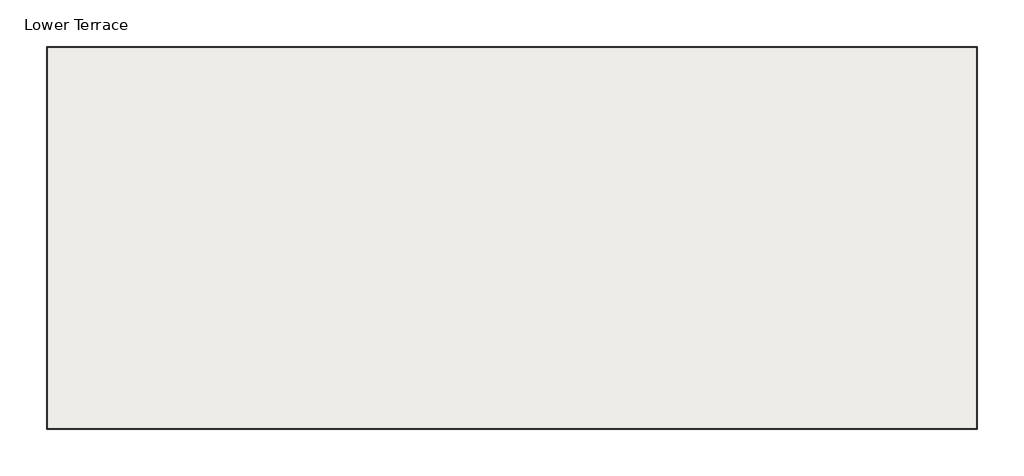
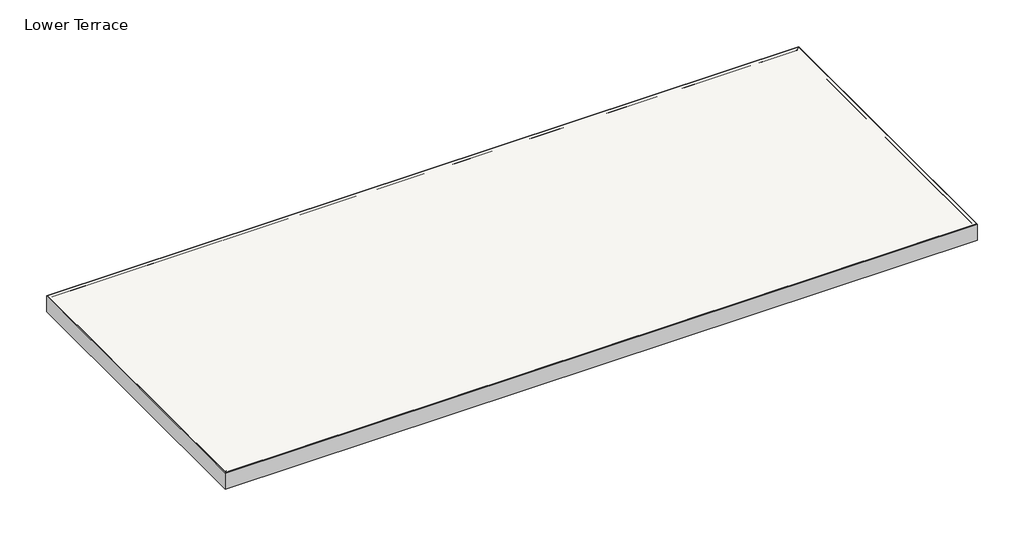
# One storey: 4 beams, 1 slab.
"""IFC4 building model written with IfcOpenShell, lengths in millimetres."""

from ifc_helpers import new_model, si_unit, frame, origin, place, context, project, spatial, polyline, ellipse_curve, outline, extrude, element, save
from ifc_brep_helpers import plane_surface, cylinder_surface, advanced_brep

model = new_model("IFC4")

# Units and contexts
model_context = context("Model", 3, world=origin())
ifc_project = project(units=[si_unit("LENGTHUNIT", "METRE", prefix="MILLI")], contexts=[model_context])

# Site, building, storey
site = spatial("IfcSite", under=ifc_project)
building = spatial("IfcBuilding", under=site)
storey = spatial("IfcBuildingStorey", under=building, Name="Lower Terrace", Elevation=0.0)

# Beams
placement = place(None, origin())
element("IfcBeam", 1, ObjectType="C-Channel : C15X33.9", at=placement, inside=storey, context=model_context, shape_type="AdvancedBrep", body=[
    advanced_brep(
    [(16773.8552, 6836.1052, 0.0), (16860.2152, 6922.4652, 0.0), (-20.0152, 6922.4652, 0.0), (66.3448, 6836.1052, 0.0), (16790.3652, 6852.6152, -16.51), (49.8348, 6852.6152, -16.51), (16850.0552, 6912.3052, -25.9639672), (-9.8552, 6912.3052, -25.9639672), (16850.0552, 6912.3052, -355.0360328), (-9.8552, 6912.3052, -355.0360328), (16790.3652, 6852.6152, -364.49), (49.8348, 6852.6152, -364.49), (16773.8552, 6836.1052, -381.0), (66.3448, 6836.1052, -381.0), (16860.2152, 6922.4652, -381.0), (-20.0152, 6922.4652, -381.0)],
    [
        (0, 1),
        (1, 2),
        (2, 3),
        (3, 0),
        (4, 0, ellipse_curve(frame((16790.3652, 6852.6152, 0.0), z_axis=(-0.7071067811865476, 0.7071067811865476, 0.0), x_axis=(-0.7071067811865474, -0.7071067811865476, 0.0)), 23.3486659, 16.51)),
        (3, 5, ellipse_curve(frame((49.8348, 6852.6152, 0.0), z_axis=(0.707106781186549, 0.707106781186546, 0.0), x_axis=(-0.707106781186546, 0.707106781186549, 0.0)), 23.3486659, 16.51)),
        (5, 4),
        (6, 4),
        (5, 7),
        (7, 6),
        (8, 6),
        (7, 9),
        (9, 8),
        (10, 8),
        (9, 11),
        (11, 10),
        (12, 10, ellipse_curve(frame((16790.3652, 6852.6152, -381.0), z_axis=(-0.7071067811865476, 0.7071067811865476, 0.0), x_axis=(-0.7071067811865474, -0.7071067811865476, 0.0)), 23.3486659, 16.51)),
        (11, 13, ellipse_curve(frame((49.8348, 6852.6152, -381.0), z_axis=(0.707106781186549, 0.707106781186546, 0.0), x_axis=(-0.707106781186546, 0.707106781186549, 0.0)), 23.3486659, 16.51)),
        (13, 12),
        (14, 12),
        (13, 15),
        (15, 14),
        (1, 14),
        (15, 2),
    ],
    [
        plane_surface(frame((16840.2, 6879.2852, 0.0), z_axis=(0.0, 0.0, 1.0), x_axis=(0.0, -1.0, 0.0))),
        cylinder_surface(frame((16840.2, 6852.6152, 0.0), z_axis=(-1.0, 0.0, 0.0), x_axis=(0.0, 0.0, -1.0)), 16.51),
        plane_surface(frame((16840.2, 6882.4602, -21.2369836), z_axis=(0.0, -0.15643446504022748, -0.9876883405951383), x_axis=(0.0, 0.9876883405951383, -0.15643446504022748))),
        plane_surface(frame((16840.2, 6912.3052, -190.5), z_axis=(0.0, -1.0, 0.0), x_axis=(0.0, 0.0, -1.0))),
        plane_surface(frame((16840.2, 6882.4602, -359.7630164), z_axis=(0.0, -0.15643446504023373, 0.9876883405951373), x_axis=(0.0, -0.9876883405951373, -0.15643446504023373))),
        cylinder_surface(frame((16840.2, 6852.6152, -381.0), z_axis=(-1.0, 0.0, 0.0), x_axis=(0.0, -1.0, 0.0)), 16.51),
        plane_surface(frame((16840.2, 6879.2852, -381.0), z_axis=(0.0, 0.0, -1.0), x_axis=(0.0, 1.0, 0.0))),
        plane_surface(frame((16840.2, 6922.4652, -190.5), z_axis=(0.0, 1.0, 0.0), x_axis=(0.0, 0.0, 1.0))),
        plane_surface(frame((16773.8552, 6836.1052, 0.0), z_axis=(0.7071067811865476, -0.7071067811865476, 0.0), x_axis=(0.7071067811865476, 0.7071067811865476, 0.0))),
        plane_surface(frame((66.3448, 6836.1052, 0.0), z_axis=(-0.707106781186549, -0.707106781186546, 0.0), x_axis=(0.707106781186546, -0.707106781186549, 0.0))),
    ],
    [
        (0, [[1, 2, 3, 4]]),
        (1, [[5, -4, 6, 7]]),
        (2, [[8, -7, 9, 10]]),
        (3, [[11, -10, 12, 13]]),
        (4, [[14, -13, 15, 16]]),
        (5, [[17, -16, 18, 19]]),
        (6, [[20, -19, 21, 22]]),
        (7, [[23, -22, 24, -2]]),
        (8, [[-1, -5, -8, -11, -14, -17, -20, -23]]),
        (9, [[-24, -21, -18, -15, -12, -9, -6, -3]]),
    ],
),
])
element("IfcBeam", 2, ObjectType="C-Channel : C15X33.9", at=placement, inside=storey, context=model_context, shape_type="AdvancedBrep", body=[
    advanced_brep(
    [(16773.8552, 66.3448, 0.0), (16860.2152, -20.0152, 0.0), (16860.2152, 6922.4652, 0.0), (16773.8552, 6836.1052, 0.0), (16790.3652, 49.8348, -16.51), (16790.3652, 6852.6152, -16.51), (16850.0552, -9.8552, -25.9639672), (16850.0552, 6912.3052, -25.9639672), (16850.0552, -9.8552, -355.0360328), (16850.0552, 6912.3052, -355.0360328), (16790.3652, 49.8348, -364.49), (16790.3652, 6852.6152, -364.49), (16773.8552, 66.3448, -381.0), (16773.8552, 6836.1052, -381.0), (16860.2152, -20.0152, -381.0), (16860.2152, 6922.4652, -381.0)],
    [
        (0, 1),
        (1, 2),
        (2, 3),
        (3, 0),
        (4, 0, ellipse_curve(frame((16790.3652, 49.8348, 0.0), z_axis=(0.7071067811865476, 0.7071067811865476, 0.0), x_axis=(-0.7071067811865476, 0.7071067811865474, 0.0)), 23.3486659, 16.51)),
        (3, 5, ellipse_curve(frame((16790.3652, 6852.6152, 0.0), z_axis=(0.7071067811865476, -0.7071067811865476, 0.0), x_axis=(0.7071067811865476, 0.7071067811865474, 0.0)), 23.3486659, 16.51)),
        (5, 4),
        (6, 4),
        (5, 7),
        (7, 6),
        (8, 6),
        (7, 9),
        (9, 8),
        (10, 8),
        (9, 11),
        (11, 10),
        (12, 10, ellipse_curve(frame((16790.3652, 49.8348, -381.0), z_axis=(0.7071067811865476, 0.7071067811865476, 0.0), x_axis=(-0.7071067811865476, 0.7071067811865474, 0.0)), 23.3486659, 16.51)),
        (11, 13, ellipse_curve(frame((16790.3652, 6852.6152, -381.0), z_axis=(0.7071067811865476, -0.7071067811865476, 0.0), x_axis=(0.7071067811865476, 0.7071067811865474, 0.0)), 23.3486659, 16.51)),
        (13, 12),
        (14, 12),
        (13, 15),
        (15, 14),
        (1, 14),
        (15, 2),
    ],
    [
        plane_surface(frame((16817.0352, 0.0, 0.0), z_axis=(0.0, 0.0, 1.0), x_axis=(-1.0, 0.0, 0.0))),
        cylinder_surface(frame((16790.3652, 0.0, 0.0), z_axis=(0.0, 1.0, 0.0), x_axis=(0.0, 0.0, -1.0)), 16.51),
        plane_surface(frame((16820.2102, 0.0, -21.2369836), z_axis=(-0.15643446504022748, 0.0, -0.9876883405951383), x_axis=(0.9876883405951383, 0.0, -0.15643446504022748))),
        plane_surface(frame((16850.0552, 0.0, -190.5), z_axis=(-1.0, 0.0, 0.0), x_axis=(0.0, 0.0, -1.0))),
        plane_surface(frame((16820.2102, 0.0, -359.7630164), z_axis=(-0.15643446504023373, 0.0, 0.9876883405951373), x_axis=(-0.9876883405951373, 0.0, -0.15643446504023373))),
        cylinder_surface(frame((16790.3652, 0.0, -381.0), z_axis=(0.0, 1.0, 0.0), x_axis=(-1.0, 0.0, 0.0)), 16.51),
        plane_surface(frame((16817.0352, 0.0, -381.0), z_axis=(0.0, 0.0, -1.0), x_axis=(1.0, 0.0, 0.0))),
        plane_surface(frame((16860.2152, 0.0, -190.5), z_axis=(1.0, 0.0, 0.0), x_axis=(0.0, 0.0, 1.0))),
        plane_surface(frame((16773.8552, 66.3448, 0.0), z_axis=(-0.7071067811865476, -0.7071067811865476, 0.0), x_axis=(0.7071067811865476, -0.7071067811865476, 0.0))),
        plane_surface(frame((16773.8552, 6836.1052, 0.0), z_axis=(-0.7071067811865476, 0.7071067811865476, 0.0), x_axis=(0.7071067811865476, 0.7071067811865476, 0.0))),
    ],
    [
        (0, [[1, 2, 3, 4]]),
        (1, [[5, -4, 6, 7]]),
        (2, [[8, -7, 9, 10]]),
        (3, [[11, -10, 12, 13]]),
        (4, [[14, -13, 15, 16]]),
        (5, [[17, -16, 18, 19]]),
        (6, [[20, -19, 21, 22]]),
        (7, [[23, -22, 24, -2]]),
        (8, [[-1, -5, -8, -11, -14, -17, -20, -23]]),
        (9, [[-24, -21, -18, -15, -12, -9, -6, -3]]),
    ],
),
])
element("IfcBeam", 3, ObjectType="C-Channel : C15X33.9", at=placement, inside=storey, context=model_context, shape_type="AdvancedBrep", body=[
    advanced_brep(
    [(66.3448, 66.3448, 0.0), (-20.0152, -20.0152, 0.0), (16860.2152, -20.0152, 0.0), (16773.8552, 66.3448, 0.0), (49.8348, 49.8348, -16.51), (16790.3652, 49.8348, -16.51), (-9.8552, -9.8552, -25.9639672), (16850.0552, -9.8552, -25.9639672), (-9.8552, -9.8552, -355.0360328), (16850.0552, -9.8552, -355.0360328), (49.8348, 49.8348, -364.49), (16790.3652, 49.8348, -364.49), (66.3448, 66.3448, -381.0), (16773.8552, 66.3448, -381.0), (-20.0152, -20.0152, -381.0), (16860.2152, -20.0152, -381.0)],
    [
        (0, 1),
        (1, 2),
        (2, 3),
        (3, 0),
        (4, 0, ellipse_curve(frame((49.8348, 49.8348, 0.0), z_axis=(0.707106781186546, -0.707106781186549, 0.0), x_axis=(0.707106781186549, 0.707106781186546, 0.0)), 23.3486659, 16.51)),
        (3, 5, ellipse_curve(frame((16790.3652, 49.8348, 0.0), z_axis=(-0.707106781186546, -0.707106781186549, 0.0), x_axis=(0.707106781186549, -0.707106781186546, 0.0)), 23.3486659, 16.51)),
        (5, 4),
        (6, 4),
        (5, 7),
        (7, 6),
        (8, 6),
        (7, 9),
        (9, 8),
        (10, 8),
        (9, 11),
        (11, 10),
        (12, 10, ellipse_curve(frame((49.8348, 49.8348, -381.0), z_axis=(0.707106781186546, -0.707106781186549, 0.0), x_axis=(0.707106781186549, 0.707106781186546, 0.0)), 23.3486659, 16.51)),
        (11, 13, ellipse_curve(frame((16790.3652, 49.8348, -381.0), z_axis=(-0.707106781186546, -0.707106781186549, 0.0), x_axis=(0.707106781186549, -0.707106781186546, 0.0)), 23.3486659, 16.51)),
        (13, 12),
        (14, 12),
        (13, 15),
        (15, 14),
        (1, 14),
        (15, 2),
    ],
    [
        plane_surface(frame((0.0, 23.1648, 0.0), z_axis=(0.0, 0.0, 1.0), x_axis=(0.0, 1.0, 0.0))),
        cylinder_surface(frame((0.0, 49.8348, 0.0), z_axis=(1.0, 0.0, 0.0), x_axis=(0.0, 0.0, -1.0)), 16.51),
        plane_surface(frame((0.0, 19.9898, -21.2369836), z_axis=(0.0, 0.15643446504022748, -0.9876883405951383), x_axis=(0.0, -0.9876883405951383, -0.15643446504022748))),
        plane_surface(frame((0.0, -9.8552, -190.5), z_axis=(0.0, 1.0, 0.0), x_axis=(0.0, 0.0, -1.0))),
        plane_surface(frame((0.0, 19.9898, -359.7630164), z_axis=(0.0, 0.15643446504023373, 0.9876883405951373), x_axis=(0.0, 0.9876883405951373, -0.15643446504023373))),
        cylinder_surface(frame((0.0, 49.8348, -381.0), z_axis=(1.0, 0.0, 0.0), x_axis=(0.0, 1.0, 0.0)), 16.51),
        plane_surface(frame((0.0, 23.1648, -381.0), z_axis=(0.0, 0.0, -1.0), x_axis=(0.0, -1.0, 0.0))),
        plane_surface(frame((0.0, -20.0152, -190.5), z_axis=(0.0, -1.0, 0.0), x_axis=(0.0, 0.0, 1.0))),
        plane_surface(frame((66.3448, 66.3448, 0.0), z_axis=(-0.707106781186546, 0.707106781186549, 0.0), x_axis=(0.707106781186549, 0.707106781186546, 0.0))),
        plane_surface(frame((16773.8552, 66.3448, 0.0), z_axis=(0.707106781186546, 0.707106781186549, 0.0), x_axis=(0.707106781186549, -0.707106781186546, 0.0))),
    ],
    [
        (0, [[1, 2, 3, 4]]),
        (1, [[5, -4, 6, 7]]),
        (2, [[8, -7, 9, 10]]),
        (3, [[11, -10, 12, 13]]),
        (4, [[14, -13, 15, 16]]),
        (5, [[17, -16, 18, 19]]),
        (6, [[20, -19, 21, 22]]),
        (7, [[23, -22, 24, -2]]),
        (8, [[-1, -5, -8, -11, -14, -17, -20, -23]]),
        (9, [[-24, -21, -18, -15, -12, -9, -6, -3]]),
    ],
),
])
element("IfcBeam", 4, ObjectType="C-Channel : C15X33.9", at=placement, inside=storey, context=model_context, shape_type="AdvancedBrep", body=[
    advanced_brep(
    [(66.3448, 6836.1052, 0.0), (-20.0152, 6922.4652, 0.0), (-20.0152, -20.0152, 0.0), (66.3448, 66.3448, 0.0), (49.8348, 6852.6152, -16.51), (49.8348, 49.8348, -16.51), (-9.8552, 6912.3052, -25.9639672), (-9.8552, -9.8552, -25.9639672), (-9.8552, 6912.3052, -355.0360328), (-9.8552, -9.8552, -355.0360328), (49.8348, 6852.6152, -364.49), (49.8348, 49.8348, -364.49), (66.3448, 6836.1052, -381.0), (66.3448, 66.3448, -381.0), (-20.0152, 6922.4652, -381.0), (-20.0152, -20.0152, -381.0)],
    [
        (0, 1),
        (1, 2),
        (2, 3),
        (3, 0),
        (4, 0, ellipse_curve(frame((49.8348, 6852.6152, 0.0), z_axis=(-0.707106781186549, -0.707106781186546, 0.0), x_axis=(0.707106781186546, -0.707106781186549, 0.0)), 23.3486659, 16.51)),
        (3, 5, ellipse_curve(frame((49.8348, 49.8348, 0.0), z_axis=(-0.7071067811865476, 0.7071067811865475, 0.0), x_axis=(-0.7071067811865475, -0.7071067811865477, 0.0)), 23.3486659, 16.51)),
        (5, 4),
        (6, 4),
        (5, 7),
        (7, 6),
        (8, 6),
        (7, 9),
        (9, 8),
        (10, 8),
        (9, 11),
        (11, 10),
        (12, 10, ellipse_curve(frame((49.8348, 6852.6152, -381.0), z_axis=(-0.707106781186549, -0.707106781186546, 0.0), x_axis=(0.707106781186546, -0.707106781186549, 0.0)), 23.3486659, 16.51)),
        (11, 13, ellipse_curve(frame((49.8348, 49.8348, -381.0), z_axis=(-0.7071067811865476, 0.7071067811865475, 0.0), x_axis=(-0.7071067811865475, -0.7071067811865477, 0.0)), 23.3486659, 16.51)),
        (13, 12),
        (14, 12),
        (13, 15),
        (15, 14),
        (1, 14),
        (15, 2),
    ],
    [
        plane_surface(frame((23.1648, 6902.45, 0.0), z_axis=(0.0, 0.0, 1.0), x_axis=(1.0, 0.0, 0.0))),
        cylinder_surface(frame((49.8348, 6902.45, 0.0), z_axis=(0.0, -1.0, 0.0), x_axis=(0.0, 0.0, -1.0)), 16.51),
        plane_surface(frame((19.9898, 6902.45, -21.2369836), z_axis=(0.15643446504022748, 0.0, -0.9876883405951383), x_axis=(-0.9876883405951383, 0.0, -0.15643446504022748))),
        plane_surface(frame((-9.8552, 6902.45, -190.5), z_axis=(1.0, 0.0, 0.0), x_axis=(0.0, 0.0, -1.0))),
        plane_surface(frame((19.9898, 6902.45, -359.7630164), z_axis=(0.15643446504023373, 0.0, 0.9876883405951373), x_axis=(0.9876883405951373, 0.0, -0.15643446504023373))),
        cylinder_surface(frame((49.8348, 6902.45, -381.0), z_axis=(0.0, -1.0, 0.0), x_axis=(1.0, 0.0, 0.0)), 16.51),
        plane_surface(frame((23.1648, 6902.45, -381.0), z_axis=(0.0, 0.0, -1.0), x_axis=(-1.0, 0.0, 0.0))),
        plane_surface(frame((-20.0152, 6902.45, -190.5), z_axis=(-1.0, 0.0, 0.0), x_axis=(0.0, 0.0, 1.0))),
        plane_surface(frame((66.3448, 66.3448, 0.0), z_axis=(0.7071067811865476, -0.7071067811865475, 0.0), x_axis=(0.7071067811865475, 0.7071067811865476, 0.0))),
        plane_surface(frame((66.3448, 6836.1052, 0.0), z_axis=(0.707106781186549, 0.707106781186546, 0.0), x_axis=(0.707106781186546, -0.707106781186549, 0.0))),
    ],
    [
        (0, [[1, 2, 3, 4]]),
        (1, [[5, -4, 6, 7]]),
        (2, [[8, -7, 9, 10]]),
        (3, [[11, -10, 12, 13]]),
        (4, [[14, -13, 15, 16]]),
        (5, [[17, -16, 18, 19]]),
        (6, [[20, -19, 21, 22]]),
        (7, [[23, -22, 24, -2]]),
        (8, [[-24, -21, -18, -15, -12, -9, -6, -3]]),
        (9, [[-1, -5, -8, -11, -14, -17, -20, -23]]),
    ],
),
])

# Slab
element("IfcSlab", 5, ObjectType="Generic - 12\"", at=placement, inside=storey, context=model_context, shape_type="SweptSolid", body=[
    extrude(outline(polyline([(16840.2, 6902.45), (16840.2, 0.0), (0.0, 0.0), (0.0, 6902.45), (16840.2, 6902.45)])), frame((0.0, 0.0, -304.8), z_axis=(0.0, 0.0, 1.0), x_axis=(1.0, 0.0, 0.0)), (0.0, 0.0, 1.0), 304.8),
])

save(model, "model.ifc")
